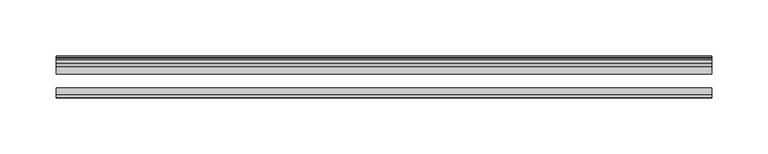
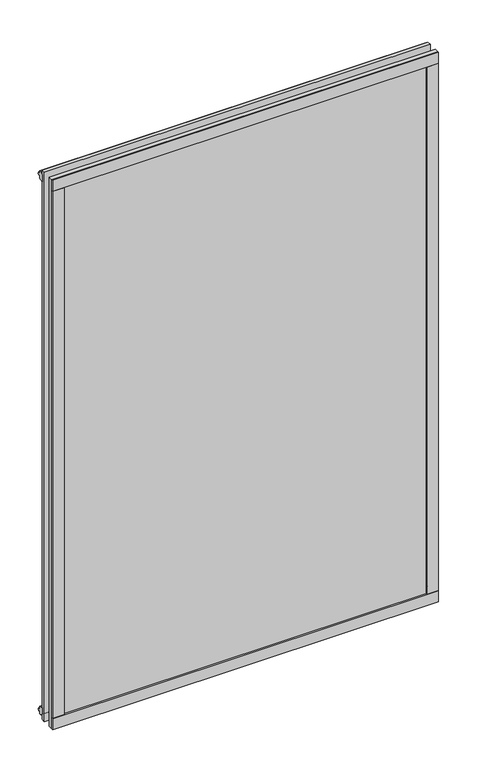
"""IFC4 building model written with IfcOpenShell, lengths in millimetres: plate geometry."""

from ifc_helpers import new_model, si_unit, frame, origin, origin_with_axes, place, context, project, spatial, polyline, outline, extrude, source, transform, mapped, element, save


def plate_02d7a5bf(model_context):
    return source(origin(), model_context, "Body", "SweptSolid", [
        extrude(outline(polyline([(290.5125002, -44.4293643), (290.5125002, -46.7153636), (-290.5125002, -46.7153636), (-290.5125002, -44.4293643), (290.5125002, -44.4293643)])), frame((0.0, 0.0, 838.1873003), z_axis=(0.0, 0.0, 1.0), x_axis=(1.0, 0.0, 0.0)), (0.0, 0.0, 1.0), 17.4752),
        extrude(outline(polyline([(290.5125002, -44.4293643), (290.5125002, -46.7153636), (-290.5125002, -46.7153636), (-290.5125002, -44.4293643), (290.5125002, -44.4293643)])), frame((0.0, 0.0, -17.4625), z_axis=(0.0, 0.0, 1.0), x_axis=(1.0, 0.0, 0.0)), (0.0, 0.0, 1.0), 17.4752),
        extrude(outline(polyline([(-16.311566, -12.4459992), (-19.5373643, -9.7597211), (-19.5373643, 1.1616223), (-13.365166, -0.5079992), (-13.365166, -5.7149992), (-10.9849691, -6.0959992), (-11.4449023, -4.6804701), (-10.6436881, -4.6804701), (-9.936166, -6.8579992), (-10.6436881, -9.0355282), (-11.4449023, -9.0355282), (-10.9849691, -7.6199992), (-13.365166, -8.0009992), (-13.365166, -12.4459992), (-16.311566, -12.4459992)])), frame((-290.5125002, 0.0, 0.0), z_axis=(1.0, 0.0, 0.0), x_axis=(0.0, 1.0, 0.0)), (0.0, 0.0, 1.0), 581.0250003),
        extrude(outline(polyline([(-16.311566, 850.6459995), (-13.365166, 850.6459995), (-13.365166, 846.2009995), (-10.9849691, 845.8199995), (-11.4449023, 847.2355285), (-10.6436881, 847.2355285), (-9.936166, 845.0579995), (-10.6436881, 842.8804704), (-11.4449023, 842.8804704), (-10.9849691, 844.2959995), (-13.365166, 843.9149995), (-13.365166, 838.7079995), (-19.5373643, 837.038378), (-19.5373643, 847.9597214), (-16.311566, 850.6459995)])), frame((-290.5125002, 0.0, 0.0), z_axis=(1.0, 0.0, 0.0), x_axis=(0.0, 1.0, 0.0)), (0.0, 0.0, 1.0), 581.0250003),
        extrude(outline(polyline([(-271.8883778, -19.5373643), (-282.8097213, -19.5373643), (-285.4959993, -16.311566), (-285.4959993, -13.365166), (-281.0509993, -13.365166), (-280.6699993, -10.9849691), (-282.0855284, -11.4449023), (-282.0855284, -10.6436881), (-279.9079993, -9.936166), (-277.7304703, -10.6436881), (-277.7304703, -11.4449023), (-279.1459993, -10.9849691), (-278.7649993, -13.365166), (-273.5579993, -13.365166), (-271.8883778, -19.5373643)])), origin_with_axes(), (0.0, 0.0, 1.0), 838.2000003),
        extrude(outline(polyline([(-273.0373002, -44.4293643), (-273.0373002, -46.7153636), (-290.5125002, -46.7153636), (-290.5125002, -44.4293643), (-273.0373002, -44.4293643)])), origin_with_axes(), (0.0, 0.0, 1.0), 838.2000003),
        extrude(outline(polyline([(271.901078, -19.5373643), (273.5706995, -13.365166), (278.7776995, -13.365166), (279.1586995, -10.9849691), (277.7431705, -11.4449023), (277.7431705, -10.6436881), (279.9206995, -9.936166), (282.0982286, -10.6436881), (282.0982286, -11.4449023), (280.6826995, -10.9849691), (281.0636995, -13.365166), (285.5086995, -13.365166), (285.5086995, -16.311566), (282.8224215, -19.5373643), (271.901078, -19.5373643)])), origin_with_axes(), (0.0, 0.0, 1.0), 838.2000003),
        extrude(outline(polyline([(290.5252004, -46.7153636), (273.05, -46.7153636), (273.05, -44.4293643), (290.5252004, -44.4293643), (290.5252004, -46.7153636)])), origin_with_axes(), (0.0, 0.0, 1.0), 838.2000003),
        extrude(outline(polyline([(290.5125002, -19.5373643), (290.5125002, -25.8250158), (-290.5125002, -25.8250158), (-290.5125002, -19.5373643), (290.5125002, -19.5373643)])), frame((0.0, 0.0, -17.4497998), z_axis=(0.0, 0.0, 1.0), x_axis=(1.0, 0.0, 0.0)), (0.0, 0.0, 1.0), 873.1123001),
        extrude(outline(polyline([(-290.5125002, -44.4293643), (-290.5125002, -38.1186142), (290.5125002, -38.1186142), (290.5125002, -44.4293643), (-290.5125002, -44.4293643)])), frame((0.0, 0.0, -17.4497998), z_axis=(0.0, 0.0, 1.0), x_axis=(1.0, 0.0, 0.0)), (0.0, 0.0, 1.0), 873.1123001),
    ])


if __name__ == "__main__":
    model = new_model("IFC4")
    model_context = context("Model", 3, world=origin())
    ifc_project = project(units=[si_unit("LENGTHUNIT", "METRE", prefix="MILLI")], contexts=[model_context])
    site = spatial("IfcSite", under=ifc_project)
    building = spatial("IfcBuilding", under=site)
    placement = place(None, origin())
    plate_shape = plate_02d7a5bf(model_context)
    element("IfcPlate", 1, at=placement, inside=building, context=model_context, shape_type="MappedRepresentation", body=[
        mapped(plate_shape, transform((0.0, 0.0, 0.0), x_axis=(1.0, 0.0, 0.0), y_axis=(0.0, 1.0, 0.0), z_axis=(0.0, 0.0, 1.0))),
    ])
    save(model, "model.ifc")
